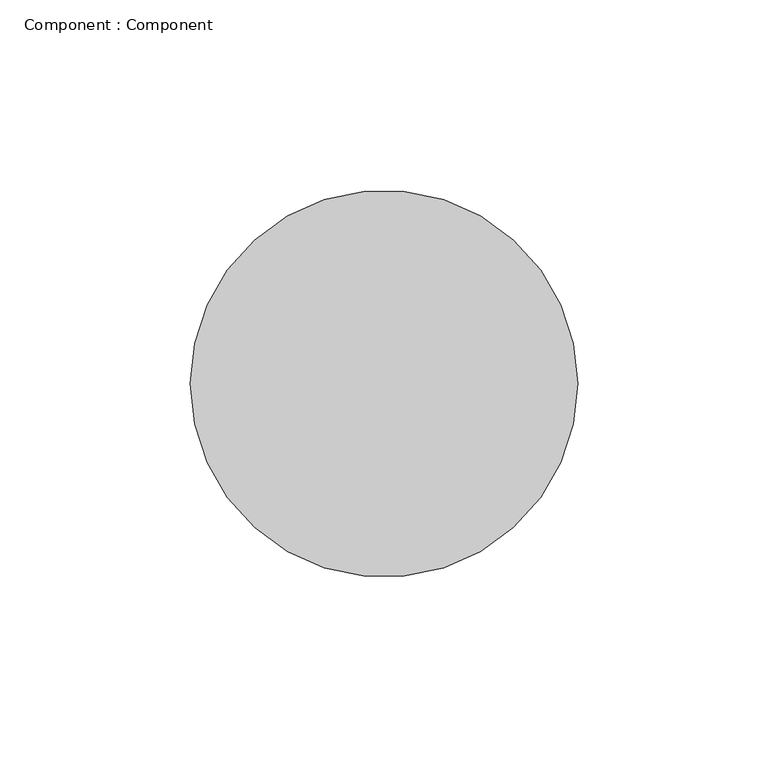
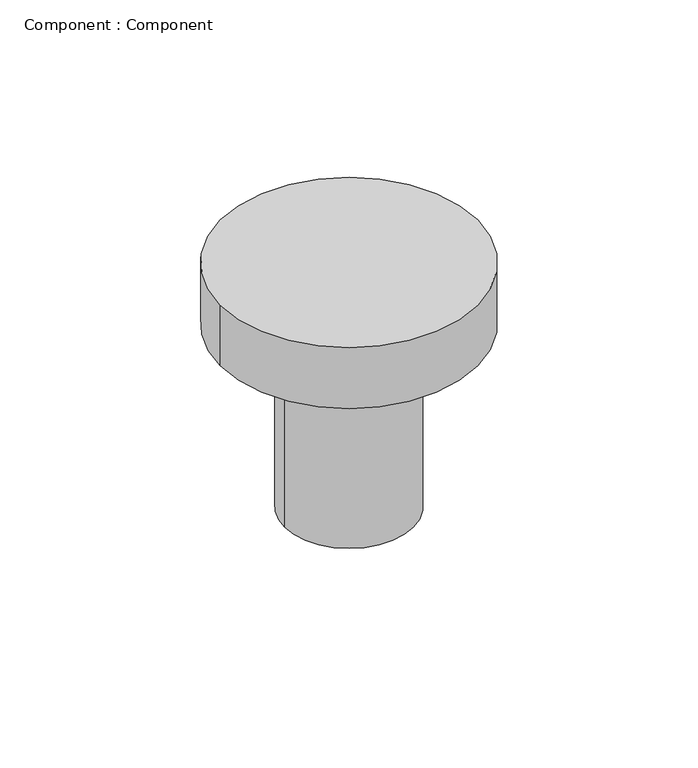
"""IFC4 building model written with IfcOpenShell, lengths in millimetres: proxy geometry, Component : Component."""

import ifcopenshell
import ifcopenshell.guid

model = None  # the IFC model being written
_history = None  # IfcOwnerHistory: only IFC2X3 demands one
_inside = {}  # id of a spatial element -> (the spatial element, [elements in it])
_under = {}  # id of a project, library or spatial element -> (it, [spatial elements below it])
_declared = {}  # id of a project -> (the project, [libraries it declares])
_typed = {}  # id of a type object -> (the type object, [elements of that type])
_made_of = {}  # id of a material, layer set ... -> (it, [elements and type objects made of it])


def new_model(schema):
    """Start an empty IFC model of exactly this schema.

    Asked for "IFC4X3", IfcOpenShell would pick the latest addendum, in which some entities
    have other attributes; the version numbers below select the first issue.
    IFC2X3 requires an IfcOwnerHistory on every rooted entity: one is made here for all.
    """
    global model, _history
    if schema == "IFC4X3":
        model = ifcopenshell.file(schema_version=(4, 3, 0, 0))
    else:
        model = ifcopenshell.file(schema=schema)
    _inside.clear()
    _under.clear()
    _declared.clear()
    _typed.clear()
    _made_of.clear()
    _history = None
    if model.schema == "IFC2X3":
        org = make("IfcOrganization", Name="unknown")
        user = make(
            "IfcPersonAndOrganization",
            ThePerson=make("IfcPerson", FamilyName="unknown"),
            TheOrganization=org,
        )
        app = make(
            "IfcApplication",
            ApplicationDeveloper=org,
            Version="unknown",
            ApplicationFullName="unknown",
            ApplicationIdentifier="unknown",
        )
        _history = make(
            "IfcOwnerHistory",
            OwningUser=user,
            OwningApplication=app,
            ChangeAction="ADDED",
            CreationDate=0,
        )
    return model


def make(cls, **values):
    """One entity of the class cls with the attributes given. An attribute that is None is left unset."""
    return model.create_entity(
        cls, **{name: value for name, value in values.items() if value is not None}
    )


def rooted(cls, **values):
    """An entity with a GlobalId (a new one), such as an element, a storey or a relation."""
    return make(cls, GlobalId=ifcopenshell.guid.new(), OwnerHistory=_history, **values)


def si_unit(unit_type, name, prefix=None):
    """IfcSIUnit, for example si_unit("LENGTHUNIT", "METRE", prefix="MILLI")."""
    return make("IfcSIUnit", UnitType=unit_type, Prefix=prefix, Name=name)


def assignment(units):
    """IfcUnitAssignment: the units of a project."""
    return None if units is None else make("IfcUnitAssignment", Units=units)


def point(xyz):
    """IfcCartesianPoint."""
    return None if xyz is None else make("IfcCartesianPoint", Coordinates=xyz)


def direction(xyz):
    """IfcDirection."""
    return None if xyz is None else make("IfcDirection", DirectionRatios=xyz)


def frame(location, z_axis=None, x_axis=None):
    """IfcAxis2Placement3D, a coordinate frame: its origin and axes. An axis left out is left unset."""
    return make(
        "IfcAxis2Placement3D",
        Location=point(location),
        Axis=direction(z_axis),
        RefDirection=direction(x_axis),
    )


def frame_2d(location, x_axis=None):
    """IfcAxis2Placement2D, a coordinate frame in the plane: its origin and x axis."""
    return make(
        "IfcAxis2Placement2D", Location=point(location), RefDirection=direction(x_axis)
    )


def origin():
    """The frame at (0, 0, 0) with its axes left unset."""
    return frame((0.0, 0.0, 0.0))


def origin_with_axes():
    """The frame at (0, 0, 0) with the z axis (0, 0, 1) and the x axis (1, 0, 0) written out."""
    return frame((0.0, 0.0, 0.0), z_axis=(0.0, 0.0, 1.0), x_axis=(1.0, 0.0, 0.0))


def origin_2d():
    """The frame at (0, 0) in the plane with its x axis left unset."""
    return frame_2d((0.0, 0.0))


def place(relative_to, where):
    """IfcLocalPlacement: puts the frame where relative to a parent placement (None: the world)."""
    return make(
        "IfcLocalPlacement", PlacementRelTo=relative_to, RelativePlacement=where
    )


def context(
    kind, dimensions, precision=None, world=None, true_north=None, identifier=None
):
    """IfcGeometricRepresentationContext, for example the 3D "Model" context."""
    return make(
        "IfcGeometricRepresentationContext",
        ContextIdentifier=identifier,
        ContextType=kind,
        CoordinateSpaceDimension=dimensions,
        Precision=precision,
        WorldCoordinateSystem=world,
        TrueNorth=true_north,
    )


def project(units=None, contexts=None):
    """IfcProject with its units and contexts."""
    return rooted(
        "IfcProject",
        Name="project",
        RepresentationContexts=contexts,
        UnitsInContext=assignment(units),
    )


def spatial(cls, under=None, at=None, **own):
    """A site, building, storey or space (cls), placed at a placement, below another one or the project."""
    s = rooted(cls, ObjectPlacement=at, **own)
    if under is not None:
        _under.setdefault(under.id(), (under, []))[1].append(s)
    return s


def circle_curve(where, radius):
    """IfcCircle in the frame where."""
    return make("IfcCircle", Position=where, Radius=radius)


def trimmed(basis, trim1, trim2, sense, master):
    """IfcTrimmedCurve: the piece of a basis curve between two trims."""
    return make(
        "IfcTrimmedCurve",
        BasisCurve=basis,
        Trim1=trim1,
        Trim2=trim2,
        SenseAgreement=sense,
        MasterRepresentation=master,
    )


def segment(curve, same_sense, transition):
    """IfcCompositeCurveSegment."""
    return make(
        "IfcCompositeCurveSegment",
        Transition=transition,
        SameSense=same_sense,
        ParentCurve=curve,
    )


def composite_curve(segments, self_intersect=None):
    """IfcCompositeCurve: segments joined end to end."""
    return make("IfcCompositeCurve", Segments=segments, SelfIntersect=self_intersect)


def outline(outer, holes=None, kind="AREA"):
    """IfcArbitraryClosedProfileDef: a profile drawn as a closed curve; with holes, ...WithVoids."""
    if holes is None:
        return make("IfcArbitraryClosedProfileDef", ProfileType=kind, OuterCurve=outer)
    return make(
        "IfcArbitraryProfileDefWithVoids",
        ProfileType=kind,
        OuterCurve=outer,
        InnerCurves=holes,
    )


def extrude(swept, where, along, depth):
    """IfcExtrudedAreaSolid: the profile swept, set in the frame where, extruded along a direction by depth."""
    return make(
        "IfcExtrudedAreaSolid",
        SweptArea=swept,
        Position=where,
        ExtrudedDirection=direction(along),
        Depth=depth,
    )


def shape(context_of_items, identifier, shape_type, items):
    """IfcShapeRepresentation: the items that make up one representation, for example the "Body"."""
    return make(
        "IfcShapeRepresentation",
        ContextOfItems=context_of_items,
        RepresentationIdentifier=identifier,
        RepresentationType=shape_type,
        Items=items,
    )


def source(mapping_origin, context_of_items, identifier, shape_type, items):
    """IfcRepresentationMap: a shape defined once, which mapped items show again and again."""
    return make(
        "IfcRepresentationMap",
        MappingOrigin=mapping_origin,
        MappedRepresentation=shape(context_of_items, identifier, shape_type, items),
    )


def transform(
    local_origin,
    x_axis=None,
    y_axis=None,
    z_axis=None,
    scale=None,
    scale2=None,
    scale3=None,
    uniform=True,
):
    """IfcCartesianTransformationOperator3D, or its non-uniform kind. x_axis, y_axis, z_axis: its Axis1, 2, 3."""
    if uniform:
        return make(
            "IfcCartesianTransformationOperator3D",
            Axis1=direction(x_axis),
            Axis2=direction(y_axis),
            LocalOrigin=point(local_origin),
            Scale=scale,
            Axis3=direction(z_axis),
        )
    return make(
        "IfcCartesianTransformationOperator3DnonUniform",
        Axis1=direction(x_axis),
        Axis2=direction(y_axis),
        LocalOrigin=point(local_origin),
        Scale=scale,
        Axis3=direction(z_axis),
        Scale2=scale2,
        Scale3=scale3,
    )


def mapped(mapping_source, mapping_target):
    """IfcMappedItem: shows the shape of a source again, moved by a transform."""
    return make(
        "IfcMappedItem", MappingSource=mapping_source, MappingTarget=mapping_target
    )


def made_of(thing, what):
    """Note that an element or type object is made of a material, layer set ...; save() writes the relation."""
    if what is not None:
        _made_of.setdefault(what.id(), (what, []))[1].append(thing)
    return thing


def element(
    cls,
    number,
    at=None,
    inside=None,
    cuts=None,
    type_object=None,
    material=None,
    context=None,
    identifier="Body",
    shape_type=None,
    held_by="IfcProductDefinitionShape",
    body=None,
    shapes=None,
    **own,
):
    """One element of the class cls, such as IfcWall. Its Tag is "e" and its number.

    at: its placement. inside: the storey or other place that contains it. cuts: it is an
    opening in that element (IfcRelVoidsElement). A single representation is given by context,
    identifier, shape_type and body (its items); several are given by shapes. held_by: the class
    of the entity that holds the representations. save() writes the other relations.
    """
    e = rooted(cls, Tag="e%d" % number, ObjectPlacement=at, **own)
    if body is not None:
        shapes = [shape(context, identifier, shape_type, body)]
    if shapes is not None:
        e.Representation = make(held_by, Representations=shapes)
    if inside is not None:
        _inside.setdefault(inside.id(), (inside, []))[1].append(e)
    if cuts is not None:
        rooted(
            "IfcRelVoidsElement", RelatingBuildingElement=cuts, RelatedOpeningElement=e
        )
    if type_object is not None:
        _typed.setdefault(type_object.id(), (type_object, []))[1].append(e)
    return made_of(e, material)


def aggregate(whole, parts):
    """IfcRelAggregates: a whole, such as a stair, and the parts it consists of."""
    return rooted("IfcRelAggregates", RelatingObject=whole, RelatedObjects=parts)


def save(model, path):
    """Write the relations noted so far, then the file.

    IfcRelAggregates (storeys below a building ...), IfcRelContainedInSpatialStructure (elements
    in a storey), IfcRelDefinesByType, IfcRelAssociatesMaterial and IfcRelDeclares: one each for
    every whole, place, type object, material and project.
    """
    for whole, parts in _under.values():
        aggregate(whole, parts)
    for where, things in _inside.values():
        rooted(
            "IfcRelContainedInSpatialStructure",
            RelatedElements=things,
            RelatingStructure=where,
        )
    for kind, things in _typed.values():
        rooted("IfcRelDefinesByType", RelatedObjects=things, RelatingType=kind)
    for what, things in _made_of.values():
        rooted("IfcRelAssociatesMaterial", RelatedObjects=things, RelatingMaterial=what)
    for by, libraries in _declared.values():
        rooted("IfcRelDeclares", RelatingContext=by, RelatedDefinitions=libraries)
    model.write(path)


def component_component_95b9ce29(model_context):
    return source(origin(), model_context, "Body", "SweptSolid", [
        extrude(outline(composite_curve([segment(trimmed(circle_curve(origin_2d(), 25.4), [point((-25.4, 0.0))], [point((25.4, 0.0))], False, "CARTESIAN"), True, "CONTINUOUS"), segment(trimmed(circle_curve(origin_2d(), 25.4), [point((25.4, 0.0))], [point((-25.4, 0.0))], False, "CARTESIAN"), True, "CONTINUOUS")], self_intersect=False)), origin_with_axes(), (0.0, 0.0, 1.0), 76.2),
        extrude(outline(composite_curve([segment(trimmed(circle_curve(origin_2d(), 50.8), [point((-50.8, 0.0))], [point((50.8, 0.0))], False, "CARTESIAN"), True, "CONTINUOUS"), segment(trimmed(circle_curve(origin_2d(), 50.8), [point((50.8, 0.0))], [point((-50.8, 0.0))], False, "CARTESIAN"), True, "CONTINUOUS")], self_intersect=False)), frame((0.0, 0.0, 76.2), z_axis=(0.0, 0.0, 1.0), x_axis=(1.0, 0.0, 0.0)), (0.0, 0.0, 1.0), 25.4),
    ])


if __name__ == "__main__":
    model = new_model("IFC4")
    model_context = context("Model", 3, world=origin())
    ifc_project = project(units=[si_unit("LENGTHUNIT", "METRE", prefix="MILLI")], contexts=[model_context])
    site = spatial("IfcSite", under=ifc_project)
    building = spatial("IfcBuilding", under=site)
    placement = place(None, origin())
    component_component_shape = component_component_95b9ce29(model_context)
    element("IfcBuildingElementProxy", 1, Name="Component : Component", ObjectType="Component : Component", at=placement, inside=building, context=model_context, shape_type="MappedRepresentation", body=[
        mapped(component_component_shape, transform((0.0, 0.0, 0.0), x_axis=(1.0, 0.0, 0.0), y_axis=(0.0, 1.0, 0.0), z_axis=(0.0, 0.0, 1.0))),
    ])
    save(model, "model.ifc")
